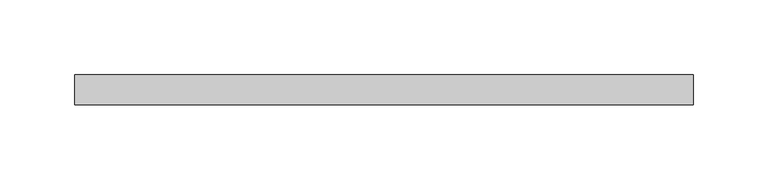
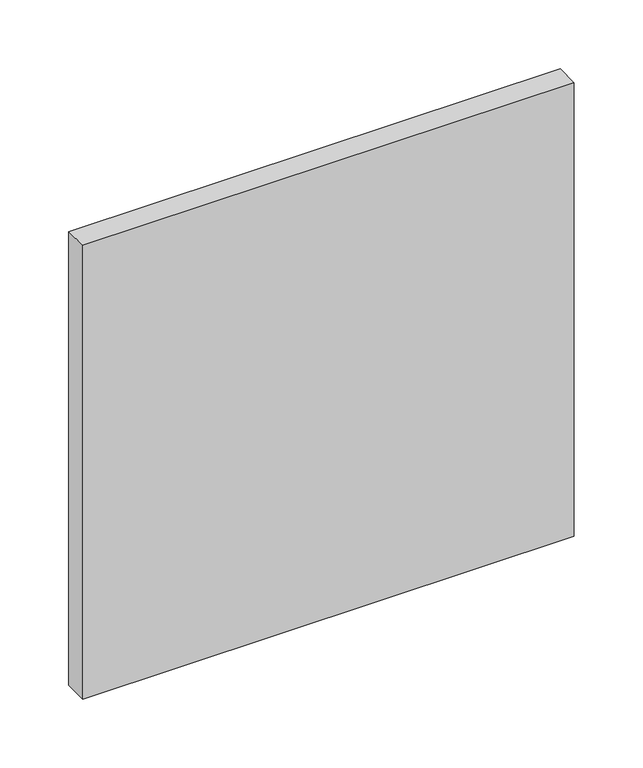
"""IFC4 building model written with IfcOpenShell, lengths in millimetres: plate geometry."""

from ifc_helpers import new_model, si_unit, origin, origin_with_axes, place, context, project, spatial, polyline, outline, extrude, source, transform, mapped, element, save


def plate_74ec0aeb(model_context):
    return source(origin(), model_context, "Body", "SweptSolid", [
        extrude(outline(polyline([(206.25, 70.0), (-206.25, 70.0), (-206.25, 90.0), (206.25, 90.0), (206.25, 70.0)])), origin_with_axes(), (0.0, 0.0, 1.0), 402.3076923),
    ])


if __name__ == "__main__":
    model = new_model("IFC4")
    model_context = context("Model", 3, world=origin())
    ifc_project = project(units=[si_unit("LENGTHUNIT", "METRE", prefix="MILLI")], contexts=[model_context])
    site = spatial("IfcSite", under=ifc_project)
    building = spatial("IfcBuilding", under=site)
    placement = place(None, origin())
    plate_shape = plate_74ec0aeb(model_context)
    element("IfcPlate", 1, at=placement, inside=building, context=model_context, shape_type="MappedRepresentation", body=[
        mapped(plate_shape, transform((0.0, 0.0, 0.0), x_axis=(1.0, 0.0, 0.0), y_axis=(0.0, 1.0, 0.0), z_axis=(0.0, 0.0, 1.0))),
    ])
    save(model, "model.ifc")
